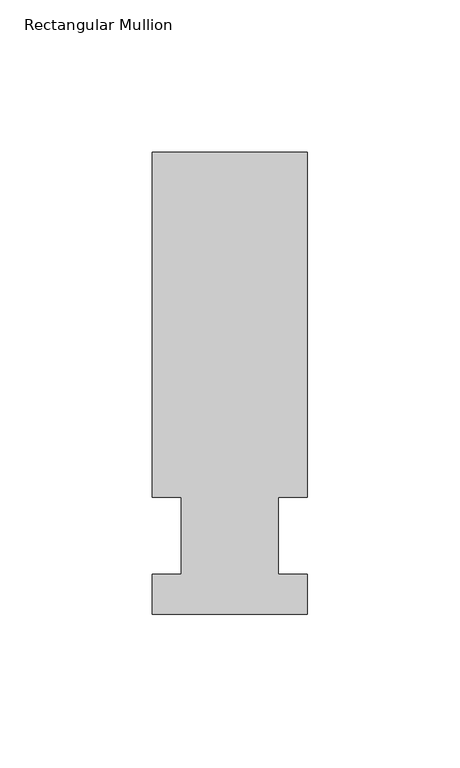
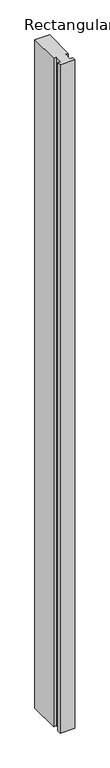
"""IFC4 building model written with IfcOpenShell, lengths in millimetres: member geometry, Rectangular Mullion."""

from ifc_helpers import new_model, si_unit, frame, origin, place, context, project, spatial, polyline, outline, extrude, source, transform, mapped, element, save


def rectangular_mullion_d002e033(model_context):
    return source(origin(), model_context, "Body", "SweptSolid", [
        extrude(outline(polyline([(-25.4, -25.796875), (-25.4, -12.7), (-15.875, -12.7), (-15.875, 12.7), (-25.4, 12.7), (-25.4, 125.809375), (25.4, 125.809375), (25.4, 12.7), (15.875, 12.7), (15.875, -12.7), (25.4, -12.7), (25.4, -25.796875), (-25.4, -25.796875)])), frame((0.0, 0.0, -2457.45), z_axis=(0.0, 0.0, 1.0), x_axis=(1.0, 0.0, 0.0)), (0.0, 0.0, 1.0), 2457.45),
    ])


if __name__ == "__main__":
    model = new_model("IFC4")
    model_context = context("Model", 3, world=origin())
    ifc_project = project(units=[si_unit("LENGTHUNIT", "METRE", prefix="MILLI")], contexts=[model_context])
    site = spatial("IfcSite", under=ifc_project)
    building = spatial("IfcBuilding", under=site)
    placement = place(None, origin())
    rectangular_mullion_shape = rectangular_mullion_d002e033(model_context)
    element("IfcMember", 1, ObjectType="Rectangular Mullion", at=placement, inside=building, context=model_context, shape_type="MappedRepresentation", body=[
        mapped(rectangular_mullion_shape, transform((0.0, 0.0, 0.0), x_axis=(1.0, 0.0, 0.0), y_axis=(0.0, 1.0, 0.0), z_axis=(0.0, 0.0, 1.0))),
    ])
    save(model, "model.ifc")
